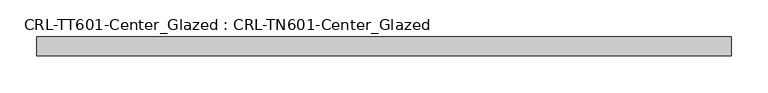
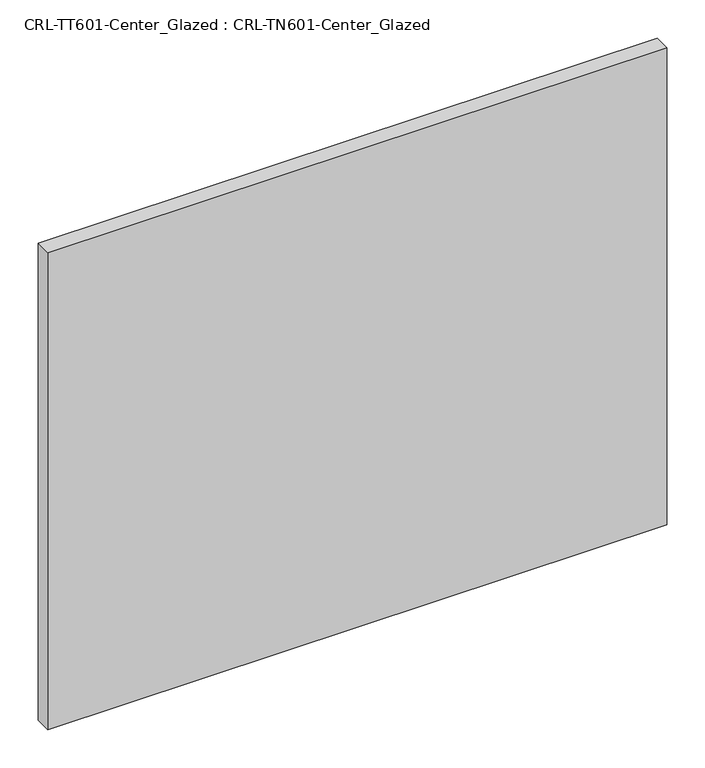
"""IFC4 building model written with IfcOpenShell, lengths in millimetres: plate geometry, CRL-TT601-Center_Glazed : CRL-TN601-Center_Glazed."""

from ifc_helpers import new_model, si_unit, origin, origin_with_axes, place, context, project, spatial, polyline, outline, extrude, source, transform, mapped, element, save


def crl_tt601_center_glazed_crl_tn601_center_glazed_2fba32b4(model_context):
    return source(origin(), model_context, "Body", "SweptSolid", [
        extrude(outline(polyline([(-469.8999937, -12.7254), (-469.8999937, 12.6746), (469.8999937, 12.6746), (469.8999937, -12.7254), (-469.8999937, -12.7254)])), origin_with_axes(), (0.0, 0.0, 1.0), 766.1482726),
    ])


if __name__ == "__main__":
    model = new_model("IFC4")
    model_context = context("Model", 3, world=origin())
    ifc_project = project(units=[si_unit("LENGTHUNIT", "METRE", prefix="MILLI")], contexts=[model_context])
    site = spatial("IfcSite", under=ifc_project)
    building = spatial("IfcBuilding", under=site)
    placement = place(None, origin())
    crl_tt601_center_glazed_crl_tn601_center_glazed_shape = crl_tt601_center_glazed_crl_tn601_center_glazed_2fba32b4(model_context)
    element("IfcPlate", 1, ObjectType="CRL-TT601-Center_Glazed : CRL-TN601-Center_Glazed", at=placement, inside=building, context=model_context, shape_type="MappedRepresentation", body=[
        mapped(crl_tt601_center_glazed_crl_tn601_center_glazed_shape, transform((0.0, 0.0, 0.0), x_axis=(1.0, 0.0, 0.0), y_axis=(0.0, 1.0, 0.0), z_axis=(0.0, 0.0, 1.0))),
    ])
    save(model, "model.ifc")
